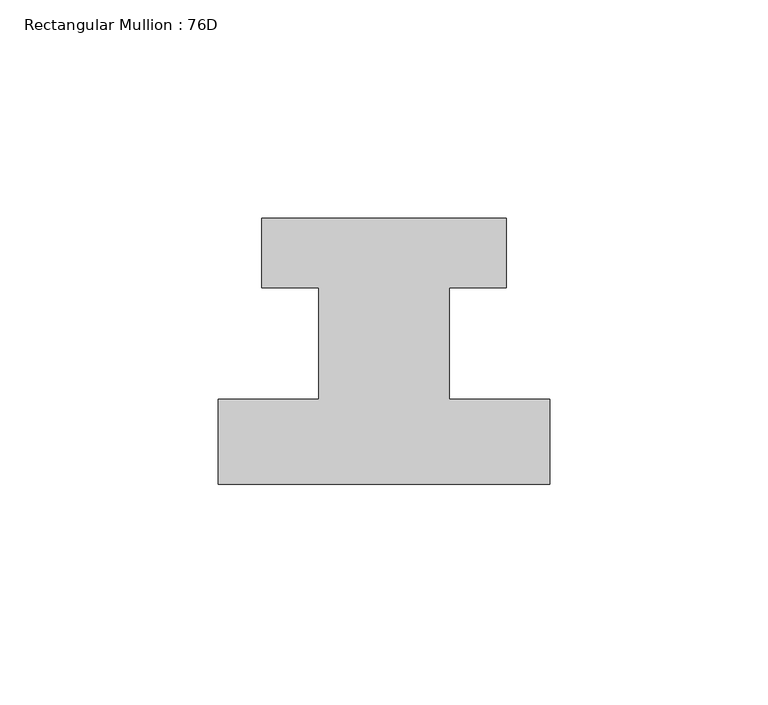
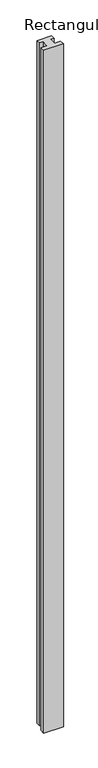
"""IFC4 building model written with IfcOpenShell, lengths in millimetres: member geometry, Rectangular Mullion : 76D."""

from ifc_helpers import new_model, si_unit, frame, origin, place, context, project, spatial, polyline, outline, extrude, source, transform, mapped, element, save


def rectangular_mullion_76d_a798e074(model_context):
    return source(origin(), model_context, "Body", "SweptSolid", [
        extrude(outline(polyline([(38.0, -20.0), (-38.0, -20.0), (-38.0, -0.5), (-15.0, -0.5), (-15.0, 25.0), (-28.0, 25.0), (-28.0, 41.0), (28.0, 41.0), (28.0, 25.0), (15.0, 25.0), (15.0, -0.5), (38.0, -0.5), (38.0, -20.0)])), frame((0.0, 0.0, -2800.0), z_axis=(0.0, 0.0, 1.0), x_axis=(1.0, 0.0, 0.0)), (0.0, 0.0, 1.0), 2800.0),
    ])


if __name__ == "__main__":
    model = new_model("IFC4")
    model_context = context("Model", 3, world=origin())
    ifc_project = project(units=[si_unit("LENGTHUNIT", "METRE", prefix="MILLI")], contexts=[model_context])
    site = spatial("IfcSite", under=ifc_project)
    building = spatial("IfcBuilding", under=site)
    placement = place(None, origin())
    rectangular_mullion_76d_shape = rectangular_mullion_76d_a798e074(model_context)
    element("IfcMember", 1, ObjectType="Rectangular Mullion : 76D", at=placement, inside=building, context=model_context, shape_type="MappedRepresentation", body=[
        mapped(rectangular_mullion_76d_shape, transform((0.0, 0.0, 0.0), x_axis=(1.0, 0.0, 0.0), y_axis=(0.0, 1.0, 0.0), z_axis=(0.0, 0.0, 1.0))),
    ])
    save(model, "model.ifc")
